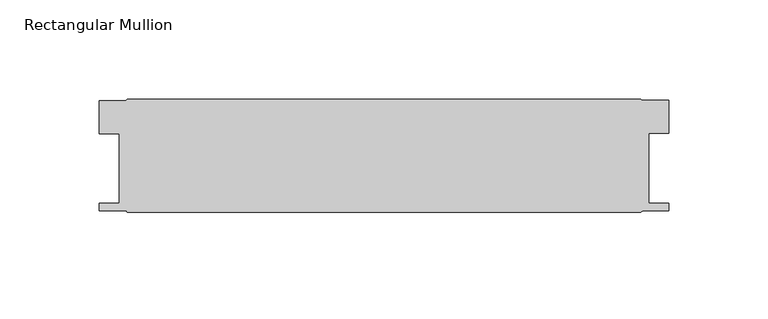
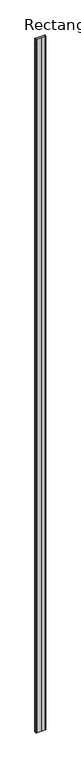
"""IFC4 building model written with IfcOpenShell, lengths in millimetres: member geometry, Rectangular Mullion."""

from ifc_helpers import new_model, si_unit, frame, origin, place, context, project, spatial, polyline, outline, extrude, source, transform, mapped, element, save


def rectangular_mullion_c9cc66f2(model_context):
    return source(origin(), model_context, "Body", "SweptSolid", [
        extrude(outline(polyline([(-144.2418677, -33.3247998), (-144.2418677, -16.6623999), (-130.7544678, -16.6623999), (-129.9670679, -15.875), (128.8084629, -15.875), (129.6003564, -16.3321999), (143.0832627, -16.3321999), (143.0832627, -32.9945998), (133.0502629, -32.9945998), (133.0502629, -68.2625003), (143.0959629, -68.2625003), (143.0959629, -72.23125), (130.0210401, -72.1759514), (128.8084729, -73.025), (0.4314832, -73.025), (-129.9670679, -73.025), (-130.5634032, -72.173345), (-144.2545679, -72.23125), (-144.2545679, -68.2625003), (-134.2088679, -68.2625003), (-134.2088679, -33.3247998), (-144.2418677, -33.3247998)])), frame((0.0, 0.0, -21325.4152256), z_axis=(0.0, 0.0, 1.0), x_axis=(1.0, 0.0, 0.0)), (0.0, 0.0, 1.0), 21325.4152256),
    ])


if __name__ == "__main__":
    model = new_model("IFC4")
    model_context = context("Model", 3, world=origin())
    ifc_project = project(units=[si_unit("LENGTHUNIT", "METRE", prefix="MILLI")], contexts=[model_context])
    site = spatial("IfcSite", under=ifc_project)
    building = spatial("IfcBuilding", under=site)
    placement = place(None, origin())
    rectangular_mullion_shape = rectangular_mullion_c9cc66f2(model_context)
    element("IfcMember", 1, ObjectType="Rectangular Mullion", at=placement, inside=building, context=model_context, shape_type="MappedRepresentation", body=[
        mapped(rectangular_mullion_shape, transform((0.0, 0.0, 0.0), x_axis=(1.0, 0.0, 0.0), y_axis=(0.0, 1.0, 0.0), z_axis=(0.0, 0.0, 1.0))),
    ])
    save(model, "model.ifc")
